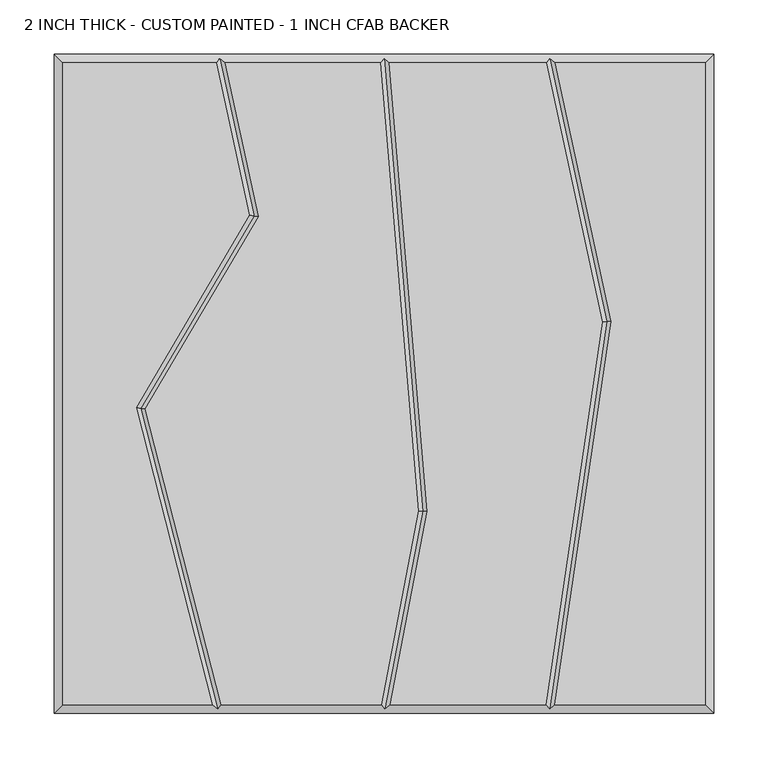
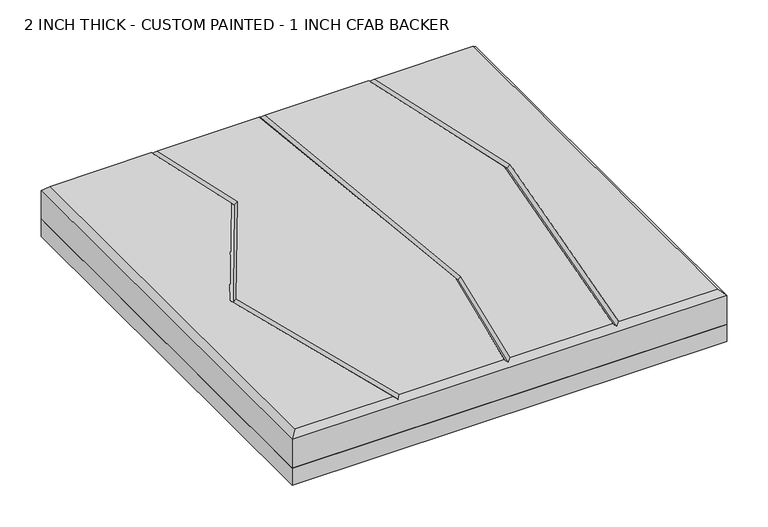
"""IFC4 building model written with IfcOpenShell, lengths in millimetres: proxy geometry, 2 INCH THICK - CUSTOM PAINTED - 1 INCH CFAB BACKER."""

from ifc_helpers import new_model, si_unit, frame, origin, place, context, project, spatial, polyline, outline, extrude, faceted_brep, source, transform, mapped, element, save


def proxy_2_inch_thick_custom_painted_1_inch_cfab_backer_dd005aa0(model_context):
    return source(origin(), model_context, "Body", "SolidModel", [
        extrude(outline(polyline([(-304.8, 304.8), (304.8, 304.8), (304.8, -304.8), (-304.8, -304.8), (-304.8, 304.8)])), frame((0.0, 0.0, -25.4), z_axis=(0.0, 0.0, 1.0), x_axis=(1.0, 0.0, 0.0)), (0.0, 0.0, 1.0), 25.4),
        faceted_brep([(-296.799, 296.799, 50.8), (-296.799, -296.799, 50.8), (-158.5803507, -296.799, 50.8), (-228.9486116, -22.1618467, 50.8), (-124.326786, 155.8449273, 50.8), (-154.765405, 296.799, 50.8), (296.799, -296.799, 50.8), (296.799, 296.799, 50.8), (158.2217247, 296.799, 50.8), (209.9251981, 57.4644259, 50.8), (157.6255242, -296.799, 50.8), (-220.3791386, -23.3717887, 50.8), (-150.3208923, -296.799, 50.8), (-2.5427901, -296.799, 50.8), (31.7252909, -117.6291285, 50.8), (-3.3378716, 296.799, 50.8), (-146.5799748, 296.799, 50.8), (-115.8470875, 154.4822402, 50.8), (39.7905877, -118.051219, 50.8), (5.6032358, -296.799, 50.8), (149.5378056, -296.799, 50.8), (201.7977561, 57.1953504, 50.8), (150.0361542, 296.799, 50.8), (4.6917137, 296.799, 50.8), (-304.8, 304.8, 0.0), (304.8, 304.8, 0.0), (304.8, -304.8, 0.0), (-304.8, -304.8, 0.0), (-304.8, -304.8, 42.799), (-304.8, 304.8, 42.799), (304.8, -304.8, 42.799), (304.8, 304.8, 42.799), (-151.5365862, 300.7995, 46.7995), (0.3384542, 300.7995, 46.7995), (153.264711, 300.7995, 46.7995), (152.9910738, -300.7995, 46.7995), (0.7650861, -300.7995, 46.7995), (-153.4256028, -300.7995, 46.7995), (-224.6638751, -22.7668177, 46.7995), (-120.0869367, 155.1635838, 46.7995), (35.7579393, -117.8401737, 46.7995), (205.8614771, 57.3298882, 46.7995)], [[[0, 1, 2, 3, 4, 5]], [[6, 7, 8, 9, 10]], [[11, 12, 13, 14, 15, 16, 17]], [[18, 19, 20, 21, 22, 23]], [[24, 25, 26, 27]], [[24, 27, 28, 29]], [[27, 26, 30, 28]], [[26, 25, 31, 30]], [[25, 24, 29, 31]], [[29, 0, 5, 32, 16, 15, 33, 23, 22, 34, 8, 7, 31]], [[0, 29, 28, 1]], [[1, 28, 30, 6, 10, 35, 20, 19, 36, 13, 12, 37, 2]], [[31, 7, 6, 30]], [[38, 3, 2, 37]], [[11, 38, 37, 12]], [[3, 38, 39, 4]], [[38, 11, 17, 39]], [[4, 39, 32, 5]], [[39, 17, 16, 32]], [[40, 14, 13, 36]], [[18, 40, 36, 19]], [[14, 40, 33, 15]], [[40, 18, 23, 33]], [[41, 21, 20, 35]], [[9, 41, 35, 10]], [[21, 41, 34, 22]], [[41, 9, 8, 34]]]),
    ])


if __name__ == "__main__":
    model = new_model("IFC4")
    model_context = context("Model", 3, world=origin())
    ifc_project = project(units=[si_unit("LENGTHUNIT", "METRE", prefix="MILLI")], contexts=[model_context])
    site = spatial("IfcSite", under=ifc_project)
    building = spatial("IfcBuilding", under=site)
    placement = place(None, origin())
    proxy_2_inch_thick_custom_painted_1_inch_cfab_backer_shape = proxy_2_inch_thick_custom_painted_1_inch_cfab_backer_dd005aa0(model_context)
    element("IfcBuildingElementProxy", 1, Name="2 INCH THICK - CUSTOM PAINTED - 1 INCH CFAB BACKER", ObjectType="2 INCH THICK - CUSTOM PAINTED - 1 INCH CFAB BACKER", at=placement, inside=building, context=model_context, shape_type="MappedRepresentation", body=[
        mapped(proxy_2_inch_thick_custom_painted_1_inch_cfab_backer_shape, transform((0.0, 0.0, 0.0), x_axis=(1.0, 0.0, 0.0), y_axis=(0.0, 1.0, 0.0), z_axis=(0.0, 0.0, 1.0))),
    ])
    save(model, "model.ifc")
